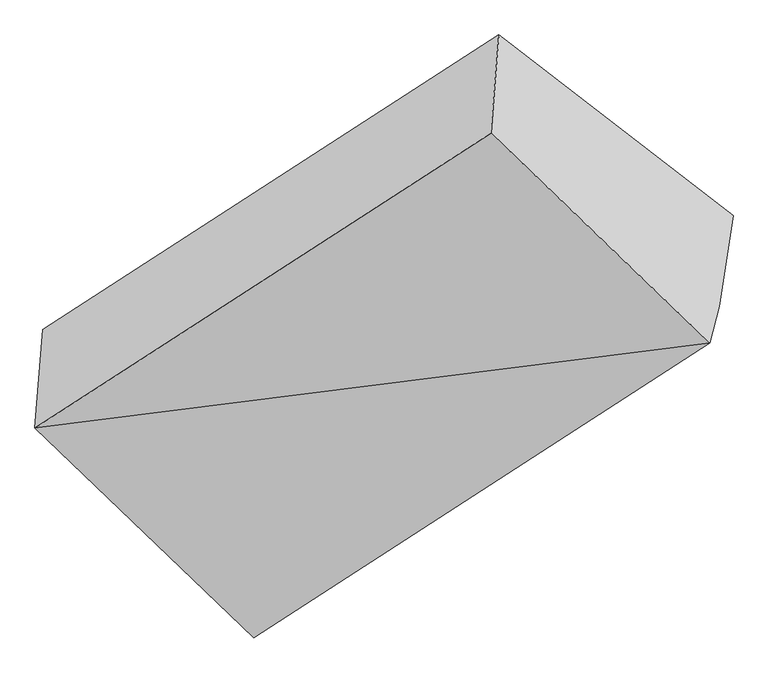
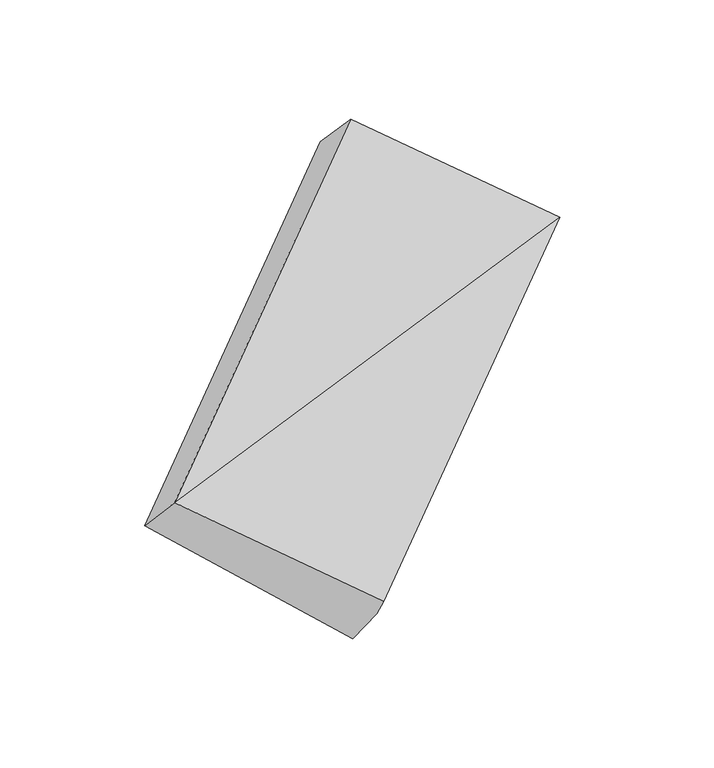
"""IFC4 building model written with IfcOpenShell, lengths in millimetres: proxy geometry."""

from ifc_helpers import new_model, si_unit, origin, place, context, project, spatial, faceted_brep, source, transform, mapped, element, save


def generic_models_689d1585(model_context):
    return source(origin(), model_context, "Body", "Brep", [
        faceted_brep([(-3811.7369257, -1470.9478676, 1494.3222623), (-3834.0628217, -1749.4436203, 1782.0854306), (-2544.7978327, -916.1700776, 2688.5500764), (-2522.4719367, -637.6743249, 2400.7869081), (-3215.4121103, -2342.3371623, 1447.1995618), (-1926.1471213, -1509.0636196, 2353.6642076), (-3188.7497122, -2239.9183351, 1315.128448), (-1899.4847232, -1406.6447924, 2221.5930938), (-3149.8861566, -1982.0516277, 1022.8071451), (-1860.6211676, -1148.778085, 1929.2717909)], [[[0, 1, 2, 3]], [[1, 4, 5]], [[4, 6, 7, 5]], [[6, 8, 9, 7]], [[8, 0, 3, 9]], [[7, 9, 3, 2, 5]], [[0, 8, 6, 4, 1]], [[5, 2, 1]]]),
    ])


if __name__ == "__main__":
    model = new_model("IFC4")
    model_context = context("Model", 3, world=origin())
    ifc_project = project(units=[si_unit("LENGTHUNIT", "METRE", prefix="MILLI")], contexts=[model_context])
    site = spatial("IfcSite", under=ifc_project)
    building = spatial("IfcBuilding", under=site)
    placement = place(None, origin())
    generic_models_shape = generic_models_689d1585(model_context)
    element("IfcBuildingElementProxy", 1, Name="Generic Models", at=placement, inside=building, context=model_context, shape_type="MappedRepresentation", body=[
        mapped(generic_models_shape, transform((0.0, 0.0, 0.0), x_axis=(1.0, 0.0, 0.0), y_axis=(0.0, 1.0, 0.0), z_axis=(0.0, 0.0, 1.0))),
    ])
    save(model, "model.ifc")
